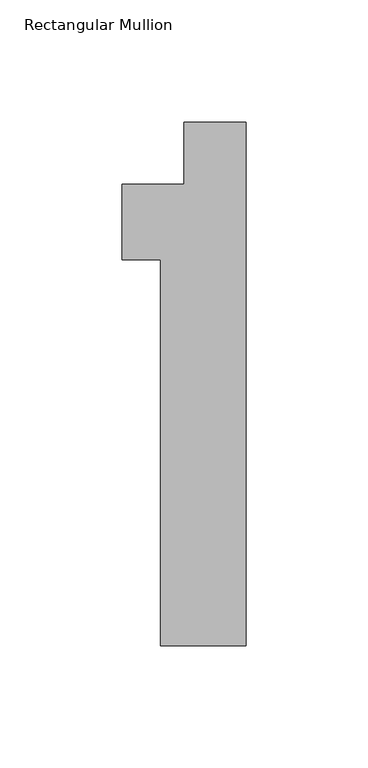
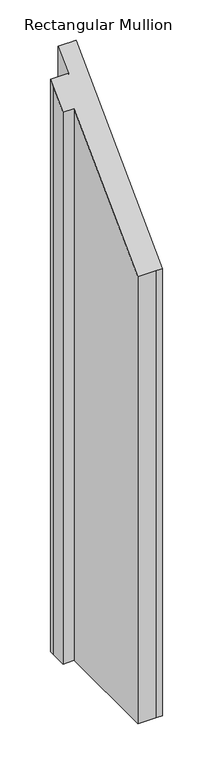
"""IFC4 building model written with IfcOpenShell, lengths in millimetres: member geometry, Rectangular Mullion."""

from ifc_helpers import new_model, si_unit, origin, place, context, project, spatial, faceted_brep, source, transform, mapped, element, save


def rectangular_mullion_2bd2e4a1(model_context):
    return source(origin(), model_context, "Body", "Brep", [
        faceted_brep([(-9.525, 0.0, -889.0), (0.0, 0.0, -889.0), (0.0, -214.376, -889.0), (-9.525, -214.376, -889.0), (-34.925, -214.376, -889.0), (-34.925, -56.388, -889.0), (-50.8, -56.388, -889.0), (-50.8, -31.75, -889.0), (-50.8, -25.4, -889.0), (-25.4000001, -25.4, -889.0), (-25.4000001, 0.0, -889.0), (-12.7, 0.0, -889.0), (-12.7, 0.0, 0.0), (-9.525, 0.0, 0.0), (-25.4000001, 0.0, 0.0), (-25.4000001, -25.4, -25.4), (-50.8, -25.4, -25.4), (-50.8, -31.75, -31.75), (-50.8, -56.388, -56.388), (-34.925, -56.388, -56.388), (-34.925, -214.376, -214.376), (-9.525, -214.376, -214.376), (0.0, -214.376, -214.376), (0.0, 0.0, 0.0)], [[[0, 1, 2, 3, 4, 5, 6, 7, 8, 9, 10, 11]], [[12, 13, 0, 11]], [[14, 12, 11, 10]], [[15, 14, 10, 9]], [[16, 15, 9, 8]], [[17, 16, 8, 7]], [[18, 17, 7, 6]], [[19, 18, 6, 5]], [[20, 19, 5, 4]], [[21, 20, 4, 3]], [[22, 21, 3, 2]], [[23, 22, 2, 1]], [[13, 23, 1, 0]], [[13, 12, 14, 15, 16, 17, 18, 19, 20, 21, 22, 23]]]),
    ])


if __name__ == "__main__":
    model = new_model("IFC4")
    model_context = context("Model", 3, world=origin())
    ifc_project = project(units=[si_unit("LENGTHUNIT", "METRE", prefix="MILLI")], contexts=[model_context])
    site = spatial("IfcSite", under=ifc_project)
    building = spatial("IfcBuilding", under=site)
    placement = place(None, origin())
    rectangular_mullion_shape = rectangular_mullion_2bd2e4a1(model_context)
    element("IfcMember", 1, ObjectType="Rectangular Mullion", at=placement, inside=building, context=model_context, shape_type="MappedRepresentation", body=[
        mapped(rectangular_mullion_shape, transform((0.0, 0.0, 0.0), x_axis=(1.0, 0.0, 0.0), y_axis=(0.0, 1.0, 0.0), z_axis=(0.0, 0.0, 1.0))),
    ])
    save(model, "model.ifc")
